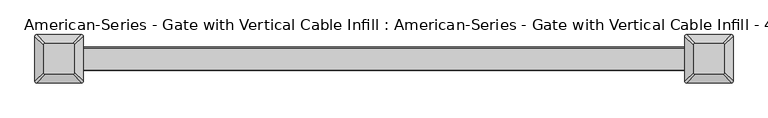
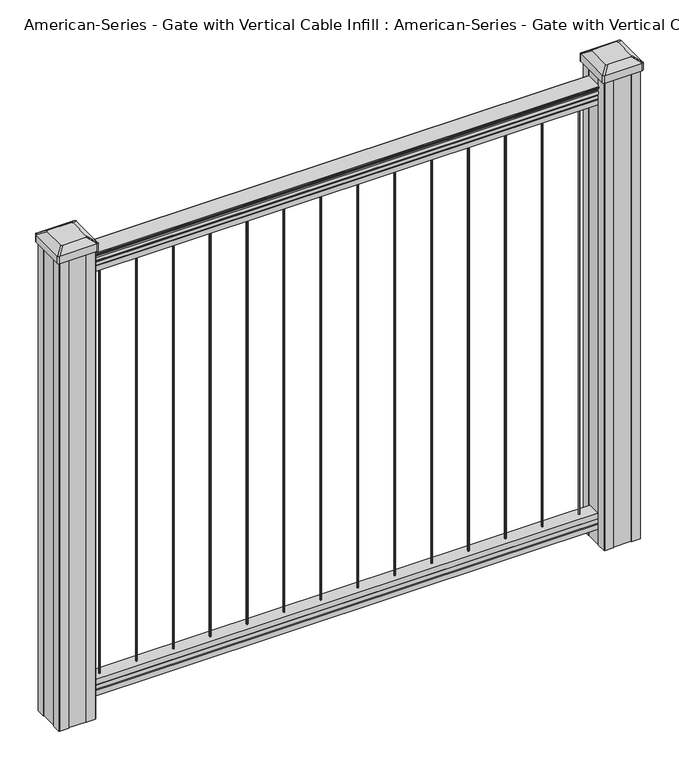
"""IFC4 building model written with IfcOpenShell, lengths in millimetres: proxy geometry."""

from ifc_helpers import new_model, si_unit, point, frame, frame_2d, origin, place, context, project, spatial, polyline, circle_curve, trimmed, segment, composite_curve, outline, extrude, source, transform, mapped, element, save
from ifc_brep_helpers import plane_surface, extruded_surface, advanced_brep


def proxy_ead7aacb(model_context):
    return source(origin(), model_context, "Body", "SolidModel", [
        extrude(outline(composite_curve([segment(trimmed(circle_curve(frame_2d((454.025, 0.0)), 1.5875), [point((454.025, 1.5875))], [point((455.6125, 0.0))], False, "CARTESIAN"), True, "CONTINUOUS"), segment(trimmed(circle_curve(frame_2d((454.025, 0.0)), 1.5875), [point((455.6125, 0.0))], [point((454.025, -1.5875))], False, "CARTESIAN"), True, "CONTINUOUS"), segment(trimmed(circle_curve(frame_2d((454.025, 0.0)), 1.5875), [point((454.025, -1.5875))], [point((452.4375, 0.0))], False, "CARTESIAN"), True, "CONTINUOUS"), segment(trimmed(circle_curve(frame_2d((454.025, 0.0)), 1.5875), [point((452.4375, 0.0))], [point((454.025, 1.5875))], False, "CARTESIAN"), True, "CONTINUOUS")], self_intersect=False)), frame((0.0, 0.0, 101.6), z_axis=(0.0, 0.0, 1.0), x_axis=(1.0, 0.0, 0.0)), (0.0, 0.0, 1.0), 965.2),
        extrude(outline(composite_curve([segment(trimmed(circle_curve(frame_2d((371.475, 0.0)), 1.5875), [point((371.475, 1.5875))], [point((373.0625, 0.0))], False, "CARTESIAN"), True, "CONTINUOUS"), segment(trimmed(circle_curve(frame_2d((371.475, 0.0)), 1.5875), [point((373.0625, 0.0))], [point((371.475, -1.5875))], False, "CARTESIAN"), True, "CONTINUOUS"), segment(trimmed(circle_curve(frame_2d((371.475, 0.0)), 1.5875), [point((371.475, -1.5875))], [point((369.8875, 0.0))], False, "CARTESIAN"), True, "CONTINUOUS"), segment(trimmed(circle_curve(frame_2d((371.475, 0.0)), 1.5875), [point((369.8875, 0.0))], [point((371.475, 1.5875))], False, "CARTESIAN"), True, "CONTINUOUS")], self_intersect=False)), frame((0.0, 0.0, 101.6), z_axis=(0.0, 0.0, 1.0), x_axis=(1.0, 0.0, 0.0)), (0.0, 0.0, 1.0), 965.2),
        extrude(outline(composite_curve([segment(trimmed(circle_curve(frame_2d((288.925, 0.0)), 1.5875), [point((288.925, 1.5875))], [point((290.5125, 0.0))], False, "CARTESIAN"), True, "CONTINUOUS"), segment(trimmed(circle_curve(frame_2d((288.925, 0.0)), 1.5875), [point((290.5125, 0.0))], [point((288.925, -1.5875))], False, "CARTESIAN"), True, "CONTINUOUS"), segment(trimmed(circle_curve(frame_2d((288.925, 0.0)), 1.5875), [point((288.925, -1.5875))], [point((287.3375, 0.0))], False, "CARTESIAN"), True, "CONTINUOUS"), segment(trimmed(circle_curve(frame_2d((288.925, 0.0)), 1.5875), [point((287.3375, 0.0))], [point((288.925, 1.5875))], False, "CARTESIAN"), True, "CONTINUOUS")], self_intersect=False)), frame((0.0, 0.0, 101.6), z_axis=(0.0, 0.0, 1.0), x_axis=(1.0, 0.0, 0.0)), (0.0, 0.0, 1.0), 965.2),
        extrude(outline(composite_curve([segment(trimmed(circle_curve(frame_2d((206.375, 0.0)), 1.5875), [point((206.375, 1.5875))], [point((207.9625, 0.0))], False, "CARTESIAN"), True, "CONTINUOUS"), segment(trimmed(circle_curve(frame_2d((206.375, 0.0)), 1.5875), [point((207.9625, 0.0))], [point((206.375, -1.5875))], False, "CARTESIAN"), True, "CONTINUOUS"), segment(trimmed(circle_curve(frame_2d((206.375, 0.0)), 1.5875), [point((206.375, -1.5875))], [point((204.7875, 0.0))], False, "CARTESIAN"), True, "CONTINUOUS"), segment(trimmed(circle_curve(frame_2d((206.375, 0.0)), 1.5875), [point((204.7875, 0.0))], [point((206.375, 1.5875))], False, "CARTESIAN"), True, "CONTINUOUS")], self_intersect=False)), frame((0.0, 0.0, 101.6), z_axis=(0.0, 0.0, 1.0), x_axis=(1.0, 0.0, 0.0)), (0.0, 0.0, 1.0), 965.2),
        extrude(outline(composite_curve([segment(trimmed(circle_curve(frame_2d((123.825, 0.0)), 1.5875), [point((123.825, 1.5875))], [point((125.4125, 0.0))], False, "CARTESIAN"), True, "CONTINUOUS"), segment(trimmed(circle_curve(frame_2d((123.825, 0.0)), 1.5875), [point((125.4125, 0.0))], [point((123.825, -1.5875))], False, "CARTESIAN"), True, "CONTINUOUS"), segment(trimmed(circle_curve(frame_2d((123.825, 0.0)), 1.5875), [point((123.825, -1.5875))], [point((122.2375, 0.0))], False, "CARTESIAN"), True, "CONTINUOUS"), segment(trimmed(circle_curve(frame_2d((123.825, 0.0)), 1.5875), [point((122.2375, 0.0))], [point((123.825, 1.5875))], False, "CARTESIAN"), True, "CONTINUOUS")], self_intersect=False)), frame((0.0, 0.0, 101.6), z_axis=(0.0, 0.0, 1.0), x_axis=(1.0, 0.0, 0.0)), (0.0, 0.0, 1.0), 965.2),
        extrude(outline(composite_curve([segment(trimmed(circle_curve(frame_2d((41.275, 0.0)), 1.5875), [point((41.275, 1.5875))], [point((42.8625, 0.0))], False, "CARTESIAN"), True, "CONTINUOUS"), segment(trimmed(circle_curve(frame_2d((41.275, 0.0)), 1.5875), [point((42.8625, 0.0))], [point((41.275, -1.5875))], False, "CARTESIAN"), True, "CONTINUOUS"), segment(trimmed(circle_curve(frame_2d((41.275, 0.0)), 1.5875), [point((41.275, -1.5875))], [point((39.6875, 0.0))], False, "CARTESIAN"), True, "CONTINUOUS"), segment(trimmed(circle_curve(frame_2d((41.275, 0.0)), 1.5875), [point((39.6875, 0.0))], [point((41.275, 1.5875))], False, "CARTESIAN"), True, "CONTINUOUS")], self_intersect=False)), frame((0.0, 0.0, 101.6), z_axis=(0.0, 0.0, 1.0), x_axis=(1.0, 0.0, 0.0)), (0.0, 0.0, 1.0), 965.2),
        extrude(outline(composite_curve([segment(trimmed(circle_curve(frame_2d((-41.275, 0.0)), 1.5875), [point((-41.275, 1.5875))], [point((-39.6875, 0.0))], False, "CARTESIAN"), True, "CONTINUOUS"), segment(trimmed(circle_curve(frame_2d((-41.275, 0.0)), 1.5875), [point((-39.6875, 0.0))], [point((-41.275, -1.5875))], False, "CARTESIAN"), True, "CONTINUOUS"), segment(trimmed(circle_curve(frame_2d((-41.275, 0.0)), 1.5875), [point((-41.275, -1.5875))], [point((-42.8625, 0.0))], False, "CARTESIAN"), True, "CONTINUOUS"), segment(trimmed(circle_curve(frame_2d((-41.275, 0.0)), 1.5875), [point((-42.8625, 0.0))], [point((-41.275, 1.5875))], False, "CARTESIAN"), True, "CONTINUOUS")], self_intersect=False)), frame((0.0, 0.0, 101.6), z_axis=(0.0, 0.0, 1.0), x_axis=(1.0, 0.0, 0.0)), (0.0, 0.0, 1.0), 965.2),
        extrude(outline(composite_curve([segment(trimmed(circle_curve(frame_2d((-123.825, 0.0)), 1.5875), [point((-123.825, 1.5875))], [point((-122.2375, 0.0))], False, "CARTESIAN"), True, "CONTINUOUS"), segment(trimmed(circle_curve(frame_2d((-123.825, 0.0)), 1.5875), [point((-122.2375, 0.0))], [point((-123.825, -1.5875))], False, "CARTESIAN"), True, "CONTINUOUS"), segment(trimmed(circle_curve(frame_2d((-123.825, 0.0)), 1.5875), [point((-123.825, -1.5875))], [point((-125.4125, 0.0))], False, "CARTESIAN"), True, "CONTINUOUS"), segment(trimmed(circle_curve(frame_2d((-123.825, 0.0)), 1.5875), [point((-125.4125, 0.0))], [point((-123.825, 1.5875))], False, "CARTESIAN"), True, "CONTINUOUS")], self_intersect=False)), frame((0.0, 0.0, 101.6), z_axis=(0.0, 0.0, 1.0), x_axis=(1.0, 0.0, 0.0)), (0.0, 0.0, 1.0), 965.2),
        extrude(outline(composite_curve([segment(trimmed(circle_curve(frame_2d((-206.375, 0.0)), 1.5875), [point((-206.375, 1.5875))], [point((-204.7875, 0.0))], False, "CARTESIAN"), True, "CONTINUOUS"), segment(trimmed(circle_curve(frame_2d((-206.375, 0.0)), 1.5875), [point((-204.7875, 0.0))], [point((-206.375, -1.5875))], False, "CARTESIAN"), True, "CONTINUOUS"), segment(trimmed(circle_curve(frame_2d((-206.375, 0.0)), 1.5875), [point((-206.375, -1.5875))], [point((-207.9625, 0.0))], False, "CARTESIAN"), True, "CONTINUOUS"), segment(trimmed(circle_curve(frame_2d((-206.375, 0.0)), 1.5875), [point((-207.9625, 0.0))], [point((-206.375, 1.5875))], False, "CARTESIAN"), True, "CONTINUOUS")], self_intersect=False)), frame((0.0, 0.0, 101.6), z_axis=(0.0, 0.0, 1.0), x_axis=(1.0, 0.0, 0.0)), (0.0, 0.0, 1.0), 965.2),
        extrude(outline(composite_curve([segment(trimmed(circle_curve(frame_2d((-288.925, 0.0)), 1.5875), [point((-288.925, 1.5875))], [point((-287.3375, 0.0))], False, "CARTESIAN"), True, "CONTINUOUS"), segment(trimmed(circle_curve(frame_2d((-288.925, 0.0)), 1.5875), [point((-287.3375, 0.0))], [point((-288.925, -1.5875))], False, "CARTESIAN"), True, "CONTINUOUS"), segment(trimmed(circle_curve(frame_2d((-288.925, 0.0)), 1.5875), [point((-288.925, -1.5875))], [point((-290.5125, 0.0))], False, "CARTESIAN"), True, "CONTINUOUS"), segment(trimmed(circle_curve(frame_2d((-288.925, 0.0)), 1.5875), [point((-290.5125, 0.0))], [point((-288.925, 1.5875))], False, "CARTESIAN"), True, "CONTINUOUS")], self_intersect=False)), frame((0.0, 0.0, 101.6), z_axis=(0.0, 0.0, 1.0), x_axis=(1.0, 0.0, 0.0)), (0.0, 0.0, 1.0), 965.2),
        extrude(outline(composite_curve([segment(trimmed(circle_curve(frame_2d((-371.475, 0.0)), 1.5875), [point((-371.475, 1.5875))], [point((-369.8875, 0.0))], False, "CARTESIAN"), True, "CONTINUOUS"), segment(trimmed(circle_curve(frame_2d((-371.475, 0.0)), 1.5875), [point((-369.8875, 0.0))], [point((-371.475, -1.5875))], False, "CARTESIAN"), True, "CONTINUOUS"), segment(trimmed(circle_curve(frame_2d((-371.475, 0.0)), 1.5875), [point((-371.475, -1.5875))], [point((-373.0625, 0.0))], False, "CARTESIAN"), True, "CONTINUOUS"), segment(trimmed(circle_curve(frame_2d((-371.475, 0.0)), 1.5875), [point((-373.0625, 0.0))], [point((-371.475, 1.5875))], False, "CARTESIAN"), True, "CONTINUOUS")], self_intersect=False)), frame((0.0, 0.0, 101.6), z_axis=(0.0, 0.0, 1.0), x_axis=(1.0, 0.0, 0.0)), (0.0, 0.0, 1.0), 965.2),
        extrude(outline(composite_curve([segment(trimmed(circle_curve(frame_2d((-454.025, 0.0)), 1.5875), [point((-454.025, 1.5875))], [point((-452.4375, 0.0))], False, "CARTESIAN"), True, "CONTINUOUS"), segment(trimmed(circle_curve(frame_2d((-454.025, 0.0)), 1.5875), [point((-452.4375, 0.0))], [point((-454.025, -1.5875))], False, "CARTESIAN"), True, "CONTINUOUS"), segment(trimmed(circle_curve(frame_2d((-454.025, 0.0)), 1.5875), [point((-454.025, -1.5875))], [point((-455.6125, 0.0))], False, "CARTESIAN"), True, "CONTINUOUS"), segment(trimmed(circle_curve(frame_2d((-454.025, 0.0)), 1.5875), [point((-455.6125, 0.0))], [point((-454.025, 1.5875))], False, "CARTESIAN"), True, "CONTINUOUS")], self_intersect=False)), frame((0.0, 0.0, 101.6), z_axis=(0.0, 0.0, 1.0), x_axis=(1.0, 0.0, 0.0)), (0.0, 0.0, 1.0), 965.2),
        extrude(outline(composite_curve([segment(trimmed(circle_curve(frame_2d((536.575, 0.0)), 1.5875), [point((536.575, 1.5875))], [point((538.1625, 0.0))], False, "CARTESIAN"), True, "CONTINUOUS"), segment(trimmed(circle_curve(frame_2d((536.575, 0.0)), 1.5875), [point((538.1625, 0.0))], [point((536.575, -1.5875))], False, "CARTESIAN"), True, "CONTINUOUS"), segment(trimmed(circle_curve(frame_2d((536.575, 0.0)), 1.5875), [point((536.575, -1.5875))], [point((534.9875, 0.0))], False, "CARTESIAN"), True, "CONTINUOUS"), segment(trimmed(circle_curve(frame_2d((536.575, 0.0)), 1.5875), [point((534.9875, 0.0))], [point((536.575, 1.5875))], False, "CARTESIAN"), True, "CONTINUOUS")], self_intersect=False)), frame((0.0, 0.0, 101.6), z_axis=(0.0, 0.0, 1.0), x_axis=(1.0, 0.0, 0.0)), (0.0, 0.0, 1.0), 965.2),
        extrude(outline(composite_curve([segment(trimmed(circle_curve(frame_2d((-536.575, 0.0)), 1.5875), [point((-536.575, 1.5875))], [point((-534.9875, 0.0))], False, "CARTESIAN"), True, "CONTINUOUS"), segment(trimmed(circle_curve(frame_2d((-536.575, 0.0)), 1.5875), [point((-534.9875, 0.0))], [point((-536.575, -1.5875))], False, "CARTESIAN"), True, "CONTINUOUS"), segment(trimmed(circle_curve(frame_2d((-536.575, 0.0)), 1.5875), [point((-536.575, -1.5875))], [point((-538.1625, 0.0))], False, "CARTESIAN"), True, "CONTINUOUS"), segment(trimmed(circle_curve(frame_2d((-536.575, 0.0)), 1.5875), [point((-538.1625, 0.0))], [point((-536.575, 1.5875))], False, "CARTESIAN"), True, "CONTINUOUS")], self_intersect=False)), frame((0.0, 0.0, 101.6), z_axis=(0.0, 0.0, 1.0), x_axis=(1.0, 0.0, 0.0)), (0.0, 0.0, 1.0), 965.2),
        extrude(outline(composite_curve([segment(polyline([(1090.8043297, 17.4328287), (1092.692412, 17.4328287)]), True, "CONTINUOUS"), segment(trimmed(circle_curve(frame_2d((1098.4506383, 11.1180755)), 8.545951), [point((1092.692412, 17.4328287))], [point((1094.2546695, 18.563015))], False, "CARTESIAN"), True, "CONTINUOUS"), segment(trimmed(circle_curve(frame_2d((1097.8636577, 11.5551384)), 7.882584), [point((1094.2546695, 18.563015))], [point((1101.4726458, 18.563015))], False, "CARTESIAN"), True, "CONTINUOUS"), segment(trimmed(circle_curve(frame_2d((1103.7112527, 22.0684625)), 4.1592695), [point((1101.4726458, 18.563015))], [point((1103.9060812, 17.9137586))], True, "CARTESIAN"), True, "CONTINUOUS"), segment(trimmed(circle_curve(frame_2d((1103.6508864, 23.3557691)), 5.4479907), [point((1103.9060812, 17.9137586))], [point((1108.2362083, 20.4137586))], True, "CARTESIAN"), True, "CONTINUOUS"), segment(trimmed(circle_curve(frame_2d((1108.233395, 22.1226107)), 1.7088543), [point((1108.2362083, 20.4137586))], [point((1109.9157972, 21.8231011))], True, "CARTESIAN"), True, "CONTINUOUS"), segment(trimmed(circle_curve(frame_2d((1111.0205318, 20.5057106)), 1.7192895), [point((1109.9157972, 21.8231011))], [point((1111.0205318, 22.2250001))], False, "CARTESIAN"), True, "CONTINUOUS"), segment(polyline([(1111.0205318, 22.2250001), (1112.3608158, 22.225)]), True, "CONTINUOUS"), segment(trimmed(circle_curve(frame_2d((1112.3608158, 20.6715528)), 1.5534472), [point((1112.3608158, 22.225))], [point((1113.914263, 20.6715528))], False, "CARTESIAN"), True, "CONTINUOUS"), segment(polyline([(1113.914263, 20.6715528), (1113.914263, -20.6715528)]), True, "CONTINUOUS"), segment(trimmed(circle_curve(frame_2d((1112.3608158, -20.6715528)), 1.5534472), [point((1113.914263, -20.6715528))], [point((1112.3608158, -22.225))], False, "CARTESIAN"), True, "CONTINUOUS"), segment(polyline([(1112.3608158, -22.225), (1111.0205318, -22.225)]), True, "CONTINUOUS"), segment(trimmed(circle_curve(frame_2d((1111.0205318, -20.5057106)), 1.7192895), [point((1111.0205318, -22.225))], [point((1109.9157972, -21.8231011))], False, "CARTESIAN"), True, "CONTINUOUS"), segment(trimmed(circle_curve(frame_2d((1108.233395, -22.1226107)), 1.7088543), [point((1109.9157972, -21.8231011))], [point((1108.2362083, -20.4137586))], True, "CARTESIAN"), True, "CONTINUOUS"), segment(trimmed(circle_curve(frame_2d((1103.6508864, -23.3557691)), 5.4479907), [point((1108.2362083, -20.4137586))], [point((1103.9060812, -17.9137586))], True, "CARTESIAN"), True, "CONTINUOUS"), segment(trimmed(circle_curve(frame_2d((1103.7112527, -22.0684625)), 4.1592695), [point((1103.9060812, -17.9137586))], [point((1101.4726458, -18.563015))], True, "CARTESIAN"), True, "CONTINUOUS"), segment(trimmed(circle_curve(frame_2d((1097.8636577, -11.5551384)), 7.882584), [point((1101.4726458, -18.563015))], [point((1094.2546695, -18.563015))], False, "CARTESIAN"), True, "CONTINUOUS"), segment(trimmed(circle_curve(frame_2d((1098.4506383, -11.1180755)), 8.545951), [point((1094.2546695, -18.563015))], [point((1092.692412, -17.4328287))], False, "CARTESIAN"), True, "CONTINUOUS"), segment(polyline([(1092.692412, -17.4328287), (1090.8043297, -17.4328287)]), True, "CONTINUOUS"), segment(trimmed(circle_curve(frame_2d((1090.8043297, -16.1459144)), 1.2869144), [point((1090.8043297, -17.4328287))], [point((1090.8043297, -14.859))], False, "CARTESIAN"), True, "CONTINUOUS"), segment(polyline([(1090.8043297, -14.859), (1080.3048283, -14.859), (1079.2888283, -15.875), (1066.8, -15.875), (1066.8, 15.875), (1079.131013, 15.875), (1080.147013, 14.859), (1090.8043297, 14.859)]), True, "CONTINUOUS"), segment(trimmed(circle_curve(frame_2d((1090.8043297, 16.1459144)), 1.2869144), [point((1090.8043297, 14.859))], [point((1090.8043297, 17.4328287))], False, "CARTESIAN"), True, "CONTINUOUS")], self_intersect=False)), frame((609.6, 0.0, 0.0), z_axis=(-1.0, 0.0, 0.0), x_axis=(0.0, 0.0, 1.0)), (0.0, 0.0, 1.0), 1219.2),
        extrude(outline(polyline([(-15.9124869, 76.0541976), (-14.8964869, 77.3546183), (-14.8964869, 87.7141717), (-15.9124869, 89.0624492), (-15.9124869, 101.5958781), (15.8375131, 101.5958781), (15.8375131, 89.0458024), (14.8215131, 87.6975248), (14.8215131, 77.3858283), (15.8375131, 76.0375508), (15.8375131, 63.5), (-15.9124869, 63.5), (-15.9124869, 76.0541976)])), frame((-609.6, 0.0, 0.0), z_axis=(1.0, 0.0, 0.0), x_axis=(0.0, 1.0, 0.0)), (0.0, 0.0, 1.0), 1219.2),
        advanced_brep(
        [(583.803125, 28.971875, 1165.225), (580.628125, 25.796875, 1165.225), (580.628125, -25.796875, 1165.225), (583.803125, -28.971875, 1165.225), (635.396875, -28.971875, 1165.225), (638.571875, -25.796875, 1165.225), (638.571875, 25.796875, 1165.225), (635.396875, 28.971875, 1165.225), (567.53125, 45.24375, 1153.922), (651.66875, 45.24375, 1153.922), (654.84375, 42.06875, 1153.922), (654.84375, -42.06875, 1153.922), (651.66875, -45.24375, 1153.922), (567.53125, -45.24375, 1153.922), (564.35625, -42.06875, 1153.922), (564.35625, 42.06875, 1153.922)],
        [
            (0, 1, circle_curve(frame((583.803125, 25.796875, 1165.225), z_axis=(0.0, 0.0, 1.0), x_axis=(0.0, -1.0, 0.0)), 3.175)),
            (1, 2),
            (2, 3, circle_curve(frame((583.803125, -25.796875, 1165.225), z_axis=(0.0, 0.0, 1.0), x_axis=(0.0, -1.0, 0.0)), 3.175)),
            (3, 4),
            (4, 5, circle_curve(frame((635.396875, -25.796875, 1165.225), z_axis=(0.0, 0.0, 1.0), x_axis=(0.0, -1.0, 0.0)), 3.175)),
            (5, 6),
            (6, 7, circle_curve(frame((635.396875, 25.796875, 1165.225), z_axis=(0.0, 0.0, 1.0), x_axis=(0.0, -1.0, 0.0)), 3.175)),
            (7, 0),
            (8, 9),
            (9, 10, circle_curve(frame((651.66875, 42.06875, 1153.922), z_axis=(0.0, 0.0, -1.0), x_axis=(0.0, -1.0, 0.0)), 3.175)),
            (10, 11),
            (11, 12, circle_curve(frame((651.66875, -42.06875, 1153.922), z_axis=(0.0, 0.0, -1.0), x_axis=(0.0, -1.0, 0.0)), 3.175)),
            (12, 13),
            (13, 14, circle_curve(frame((567.53125, -42.06875, 1153.922), z_axis=(0.0, 0.0, -1.0), x_axis=(0.0, -1.0, 0.0)), 3.175)),
            (14, 15),
            (15, 8, circle_curve(frame((567.53125, 42.06875, 1153.922), z_axis=(0.0, 0.0, -1.0), x_axis=(0.0, -1.0, 0.0)), 3.175)),
            (15, 1),
            (0, 8),
            (14, 2),
            (13, 3),
            (12, 4),
            (11, 5),
            (10, 6),
            (9, 7),
        ],
        [
            plane_surface(frame((609.6, 0.0, 1165.225), z_axis=(0.0, 0.0, 1.0), x_axis=(-1.0, 0.0, 0.0))),
            plane_surface(frame((609.6, 0.0, 1153.922), z_axis=(0.0, 0.0, -1.0), x_axis=(-1.0, 0.0, 0.0))),
            extruded_surface(trimmed(circle_curve(frame((567.53125, 42.06875, 1153.922), z_axis=(0.0, 0.0, 1.0), x_axis=(0.0, -1.0, 0.0)), 3.175), [point((567.53125, 45.24375, 1153.922))], [point((564.35625, 42.06875, 1153.922))], True, "CARTESIAN"), (16.271875000000023, -16.271875, 11.302999999999884), 25.637972638866128),
            plane_surface(frame((564.35625, 0.0, 1153.922), z_axis=(-0.5705009161540777, 0.0, 0.8212969649690409), x_axis=(0.0, -1.0, 0.0))),
            extruded_surface(trimmed(circle_curve(frame((567.53125, -42.06875, 1153.922), z_axis=(0.0, 0.0, 1.0), x_axis=(0.0, -1.0, 0.0)), 3.175), [point((564.35625, -42.06875, 1153.922))], [point((567.53125, -45.24375, 1153.922))], True, "CARTESIAN"), (16.271875000000023, 16.271875, 11.302999999999884), 25.637972638866128),
            plane_surface(frame((609.6, -45.24375, 1153.922), z_axis=(0.0, -0.5705009161540291, 0.8212969649690747), x_axis=(1.0, 0.0, 0.0))),
            extruded_surface(trimmed(circle_curve(frame((651.66875, -42.06875, 1153.922), z_axis=(0.0, 0.0, 1.0), x_axis=(0.0, -1.0, 0.0)), 3.175), [point((651.66875, -45.24375, 1153.922))], [point((654.84375, -42.06875, 1153.922))], True, "CARTESIAN"), (-16.271875000000023, 16.271875, 11.302999999999884), 25.637972638866128),
            plane_surface(frame((654.84375, 0.0, 1153.922), z_axis=(0.5705009161540143, 0.0, 0.821296964969085), x_axis=(0.0, 1.0, 0.0))),
            extruded_surface(trimmed(circle_curve(frame((651.66875, 42.06875, 1153.922), z_axis=(0.0, 0.0, 1.0), x_axis=(0.0, -1.0, 0.0)), 3.175), [point((654.84375, 42.06875, 1153.922))], [point((651.66875, 45.24375, 1153.922))], True, "CARTESIAN"), (-16.271875000000023, -16.271875, 11.302999999999884), 25.637972638866128),
            plane_surface(frame((609.6, 45.24375, 1153.922), z_axis=(0.0, 0.570500916154034, 0.8212969649690713), x_axis=(-1.0, 0.0, 0.0))),
        ],
        [
            (0, [[1, 2, 3, 4, 5, 6, 7, 8]]),
            (1, [[9, 10, 11, 12, 13, 14, 15, 16]]),
            (2, [[-16, 17, -1, 18]]),
            (3, [[-15, 19, -2, -17]]),
            (4, [[-14, 20, -3, -19]]),
            (5, [[-13, 21, -4, -20]]),
            (6, [[-12, 22, -5, -21]]),
            (7, [[-11, 23, -6, -22]]),
            (8, [[-10, 24, -7, -23]]),
            (9, [[-9, -18, -8, -24]]),
        ],
    ),
        extrude(outline(composite_curve([segment(polyline([(567.53125, 45.24375), (651.66875, 45.24375)]), True, "CONTINUOUS"), segment(trimmed(circle_curve(frame_2d((651.66875, 42.06875)), 3.175), [point((651.66875, 45.24375))], [point((654.84375, 42.06875))], False, "CARTESIAN"), True, "CONTINUOUS"), segment(polyline([(654.84375, 42.06875), (654.84375, -42.06875)]), True, "CONTINUOUS"), segment(trimmed(circle_curve(frame_2d((651.66875, -42.06875)), 3.175), [point((654.84375, -42.06875))], [point((651.66875, -45.24375))], False, "CARTESIAN"), True, "CONTINUOUS"), segment(polyline([(651.66875, -45.24375), (567.53125, -45.24375)]), True, "CONTINUOUS"), segment(trimmed(circle_curve(frame_2d((567.53125, -42.06875)), 3.175), [point((567.53125, -45.24375))], [point((564.35625, -42.06875))], False, "CARTESIAN"), True, "CONTINUOUS"), segment(polyline([(564.35625, -42.06875), (564.35625, 42.06875)]), True, "CONTINUOUS"), segment(trimmed(circle_curve(frame_2d((567.53125, 42.06875)), 3.175), [point((564.35625, 42.06875))], [point((567.53125, 45.24375))], False, "CARTESIAN"), True, "CONTINUOUS")], self_intersect=False)), frame((0.0, 0.0, 1136.65), z_axis=(0.0, 0.0, 1.0), x_axis=(1.0, 0.0, 0.0)), (0.0, 0.0, 1.0), 17.272),
        extrude(outline(polyline([(569.9125, 41.275), (589.534, 41.275), (590.296, 39.6875), (628.904, 39.6875), (629.666, 41.275), (649.2875, 41.275), (650.875, 39.6875), (650.875, 20.066), (649.2875, 19.304), (649.2875, -19.304), (650.875, -20.066), (650.875, -39.6875), (649.2875, -41.275), (629.666, -41.275), (628.904, -39.6875), (590.296, -39.6875), (589.534, -41.275), (569.9125, -41.275), (568.325, -39.6875), (568.325, -20.066), (569.9125, -19.304), (569.9125, 19.304), (568.325, 20.066), (568.325, 39.6875), (569.9125, 41.275)])), frame((0.0, 0.0, 28.575), z_axis=(0.0, 0.0, 1.0), x_axis=(1.0, 0.0, 0.0)), (0.0, 0.0, 1.0), 1108.075),
        advanced_brep(
        [(-635.396875, 28.971875, 1165.225), (-638.571875, 25.796875, 1165.225), (-638.571875, -25.796875, 1165.225), (-635.396875, -28.971875, 1165.225), (-583.803125, -28.971875, 1165.225), (-580.628125, -25.796875, 1165.225), (-580.628125, 25.796875, 1165.225), (-583.803125, 28.971875, 1165.225), (-651.66875, 45.24375, 1153.922), (-567.53125, 45.24375, 1153.922), (-564.35625, 42.06875, 1153.922), (-564.35625, -42.06875, 1153.922), (-567.53125, -45.24375, 1153.922), (-651.66875, -45.24375, 1153.922), (-654.84375, -42.06875, 1153.922), (-654.84375, 42.06875, 1153.922)],
        [
            (0, 1, circle_curve(frame((-635.396875, 25.796875, 1165.225), z_axis=(0.0, 0.0, 1.0), x_axis=(0.0, -1.0, 0.0)), 3.175)),
            (1, 2),
            (2, 3, circle_curve(frame((-635.396875, -25.796875, 1165.225), z_axis=(0.0, 0.0, 1.0), x_axis=(0.0, -1.0, 0.0)), 3.175)),
            (3, 4),
            (4, 5, circle_curve(frame((-583.803125, -25.796875, 1165.225), z_axis=(0.0, 0.0, 1.0), x_axis=(0.0, -1.0, 0.0)), 3.175)),
            (5, 6),
            (6, 7, circle_curve(frame((-583.803125, 25.796875, 1165.225), z_axis=(0.0, 0.0, 1.0), x_axis=(0.0, -1.0, 0.0)), 3.175)),
            (7, 0),
            (8, 9),
            (9, 10, circle_curve(frame((-567.53125, 42.06875, 1153.922), z_axis=(0.0, 0.0, -1.0), x_axis=(0.0, -1.0, 0.0)), 3.175)),
            (10, 11),
            (11, 12, circle_curve(frame((-567.53125, -42.06875, 1153.922), z_axis=(0.0, 0.0, -1.0), x_axis=(0.0, -1.0, 0.0)), 3.175)),
            (12, 13),
            (13, 14, circle_curve(frame((-651.66875, -42.06875, 1153.922), z_axis=(0.0, 0.0, -1.0), x_axis=(0.0, -1.0, 0.0)), 3.175)),
            (14, 15),
            (15, 8, circle_curve(frame((-651.66875, 42.06875, 1153.922), z_axis=(0.0, 0.0, -1.0), x_axis=(0.0, -1.0, 0.0)), 3.175)),
            (15, 1),
            (0, 8),
            (14, 2),
            (13, 3),
            (12, 4),
            (11, 5),
            (10, 6),
            (9, 7),
        ],
        [
            plane_surface(frame((-609.6, 0.0, 1165.225), z_axis=(0.0, 0.0, 1.0), x_axis=(-1.0, 0.0, 0.0))),
            plane_surface(frame((-609.6, 0.0, 1153.922), z_axis=(0.0, 0.0, -1.0), x_axis=(-1.0, 0.0, 0.0))),
            extruded_surface(trimmed(circle_curve(frame((-651.66875, 42.06875, 1153.922), z_axis=(0.0, 0.0, 1.0), x_axis=(0.0, -1.0, 0.0)), 3.175), [point((-651.66875, 45.24375, 1153.922))], [point((-654.84375, 42.06875, 1153.922))], True, "CARTESIAN"), (16.271875000000023, -16.271875, 11.302999999999884), 25.637972638866128),
            plane_surface(frame((-654.84375, 0.0, 1153.922), z_axis=(-0.5705009161540777, 0.0, 0.8212969649690409), x_axis=(0.0, -1.0, 0.0))),
            extruded_surface(trimmed(circle_curve(frame((-651.66875, -42.06875, 1153.922), z_axis=(0.0, 0.0, 1.0), x_axis=(0.0, -1.0, 0.0)), 3.175), [point((-654.84375, -42.06875, 1153.922))], [point((-651.66875, -45.24375, 1153.922))], True, "CARTESIAN"), (16.271875000000023, 16.271875, 11.302999999999884), 25.637972638866128),
            plane_surface(frame((-609.6, -45.24375, 1153.922), z_axis=(0.0, -0.5705009161540291, 0.8212969649690747), x_axis=(1.0, 0.0, 0.0))),
            extruded_surface(trimmed(circle_curve(frame((-567.53125, -42.06875, 1153.922), z_axis=(0.0, 0.0, 1.0), x_axis=(0.0, -1.0, 0.0)), 3.175), [point((-567.53125, -45.24375, 1153.922))], [point((-564.35625, -42.06875, 1153.922))], True, "CARTESIAN"), (-16.271875000000023, 16.271875, 11.302999999999884), 25.637972638866128),
            plane_surface(frame((-564.35625, 0.0, 1153.922), z_axis=(0.5705009161540143, 0.0, 0.821296964969085), x_axis=(0.0, 1.0, 0.0))),
            extruded_surface(trimmed(circle_curve(frame((-567.53125, 42.06875, 1153.922), z_axis=(0.0, 0.0, 1.0), x_axis=(0.0, -1.0, 0.0)), 3.175), [point((-564.35625, 42.06875, 1153.922))], [point((-567.53125, 45.24375, 1153.922))], True, "CARTESIAN"), (-16.271875000000023, -16.271875, 11.302999999999884), 25.637972638866128),
            plane_surface(frame((-609.6, 45.24375, 1153.922), z_axis=(0.0, 0.570500916154034, 0.8212969649690713), x_axis=(-1.0, 0.0, 0.0))),
        ],
        [
            (0, [[1, 2, 3, 4, 5, 6, 7, 8]]),
            (1, [[9, 10, 11, 12, 13, 14, 15, 16]]),
            (2, [[-16, 17, -1, 18]]),
            (3, [[-15, 19, -2, -17]]),
            (4, [[-14, 20, -3, -19]]),
            (5, [[-13, 21, -4, -20]]),
            (6, [[-12, 22, -5, -21]]),
            (7, [[-11, 23, -6, -22]]),
            (8, [[-10, 24, -7, -23]]),
            (9, [[-9, -18, -8, -24]]),
        ],
    ),
        extrude(outline(composite_curve([segment(polyline([(-651.66875, 45.24375), (-567.53125, 45.24375)]), True, "CONTINUOUS"), segment(trimmed(circle_curve(frame_2d((-567.53125, 42.06875)), 3.175), [point((-567.53125, 45.24375))], [point((-564.35625, 42.06875))], False, "CARTESIAN"), True, "CONTINUOUS"), segment(polyline([(-564.35625, 42.06875), (-564.35625, -42.06875)]), True, "CONTINUOUS"), segment(trimmed(circle_curve(frame_2d((-567.53125, -42.06875)), 3.175), [point((-564.35625, -42.06875))], [point((-567.53125, -45.24375))], False, "CARTESIAN"), True, "CONTINUOUS"), segment(polyline([(-567.53125, -45.24375), (-651.66875, -45.24375)]), True, "CONTINUOUS"), segment(trimmed(circle_curve(frame_2d((-651.66875, -42.06875)), 3.175), [point((-651.66875, -45.24375))], [point((-654.84375, -42.06875))], False, "CARTESIAN"), True, "CONTINUOUS"), segment(polyline([(-654.84375, -42.06875), (-654.84375, 42.06875)]), True, "CONTINUOUS"), segment(trimmed(circle_curve(frame_2d((-651.66875, 42.06875)), 3.175), [point((-654.84375, 42.06875))], [point((-651.66875, 45.24375))], False, "CARTESIAN"), True, "CONTINUOUS")], self_intersect=False)), frame((0.0, 0.0, 1136.65), z_axis=(0.0, 0.0, 1.0), x_axis=(1.0, 0.0, 0.0)), (0.0, 0.0, 1.0), 17.272),
        extrude(outline(polyline([(-649.2875, 41.275), (-629.666, 41.275), (-628.904, 39.6875), (-590.296, 39.6875), (-589.534, 41.275), (-569.9125, 41.275), (-568.325, 39.6875), (-568.325, 20.066), (-569.9125, 19.304), (-569.9125, -19.304), (-568.325, -20.066), (-568.325, -39.6875), (-569.9125, -41.275), (-589.534, -41.275), (-590.296, -39.6875), (-628.904, -39.6875), (-629.666, -41.275), (-649.2875, -41.275), (-650.875, -39.6875), (-650.875, -20.066), (-649.2875, -19.304), (-649.2875, 19.304), (-650.875, 20.066), (-650.875, 39.6875), (-649.2875, 41.275)])), frame((0.0, 0.0, 28.575), z_axis=(0.0, 0.0, 1.0), x_axis=(1.0, 0.0, 0.0)), (0.0, 0.0, 1.0), 1108.075),
    ])


if __name__ == "__main__":
    model = new_model("IFC4")
    model_context = context("Model", 3, world=origin())
    ifc_project = project(units=[si_unit("LENGTHUNIT", "METRE", prefix="MILLI")], contexts=[model_context])
    site = spatial("IfcSite", under=ifc_project)
    building = spatial("IfcBuilding", under=site)
    placement = place(None, origin())
    proxy_shape = proxy_ead7aacb(model_context)
    element("IfcBuildingElementProxy", 1, Name="American-Series - Gate with Vertical Cable Infill : American-Series - Gate with Vertical Cable Infill - 42\"x48\"", ObjectType="American-Series - Gate with Vertical Cable Infill : American-Series - Gate with Vertical Cable Infill - 42\"x48\"", at=placement, inside=building, context=model_context, shape_type="MappedRepresentation", body=[
        mapped(proxy_shape, transform((0.0, 0.0, 0.0), x_axis=(1.0, 0.0, 0.0), y_axis=(0.0, 1.0, 0.0), z_axis=(0.0, 0.0, 1.0))),
    ])
    save(model, "model.ifc")
